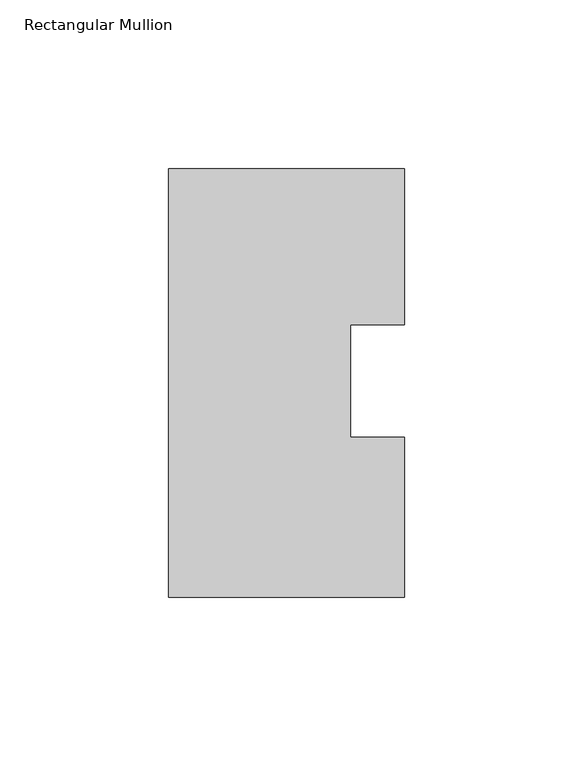
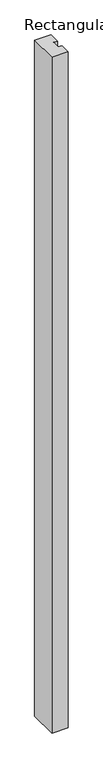
"""IFC4 building model written with IfcOpenShell, lengths in millimetres: member geometry, Rectangular Mullion."""

import ifcopenshell
import ifcopenshell.guid

model = None  # the IFC model being written
_history = None  # IfcOwnerHistory: only IFC2X3 demands one
_inside = {}  # id of a spatial element -> (the spatial element, [elements in it])
_under = {}  # id of a project, library or spatial element -> (it, [spatial elements below it])
_declared = {}  # id of a project -> (the project, [libraries it declares])
_typed = {}  # id of a type object -> (the type object, [elements of that type])
_made_of = {}  # id of a material, layer set ... -> (it, [elements and type objects made of it])


def new_model(schema):
    """Start an empty IFC model of exactly this schema.

    Asked for "IFC4X3", IfcOpenShell would pick the latest addendum, in which some entities
    have other attributes; the version numbers below select the first issue.
    IFC2X3 requires an IfcOwnerHistory on every rooted entity: one is made here for all.
    """
    global model, _history
    if schema == "IFC4X3":
        model = ifcopenshell.file(schema_version=(4, 3, 0, 0))
    else:
        model = ifcopenshell.file(schema=schema)
    _inside.clear()
    _under.clear()
    _declared.clear()
    _typed.clear()
    _made_of.clear()
    _history = None
    if model.schema == "IFC2X3":
        org = make("IfcOrganization", Name="unknown")
        user = make(
            "IfcPersonAndOrganization",
            ThePerson=make("IfcPerson", FamilyName="unknown"),
            TheOrganization=org,
        )
        app = make(
            "IfcApplication",
            ApplicationDeveloper=org,
            Version="unknown",
            ApplicationFullName="unknown",
            ApplicationIdentifier="unknown",
        )
        _history = make(
            "IfcOwnerHistory",
            OwningUser=user,
            OwningApplication=app,
            ChangeAction="ADDED",
            CreationDate=0,
        )
    return model


def make(cls, **values):
    """One entity of the class cls with the attributes given. An attribute that is None is left unset."""
    return model.create_entity(
        cls, **{name: value for name, value in values.items() if value is not None}
    )


def rooted(cls, **values):
    """An entity with a GlobalId (a new one), such as an element, a storey or a relation."""
    return make(cls, GlobalId=ifcopenshell.guid.new(), OwnerHistory=_history, **values)


def si_unit(unit_type, name, prefix=None):
    """IfcSIUnit, for example si_unit("LENGTHUNIT", "METRE", prefix="MILLI")."""
    return make("IfcSIUnit", UnitType=unit_type, Prefix=prefix, Name=name)


def assignment(units):
    """IfcUnitAssignment: the units of a project."""
    return None if units is None else make("IfcUnitAssignment", Units=units)


def point(xyz):
    """IfcCartesianPoint."""
    return None if xyz is None else make("IfcCartesianPoint", Coordinates=xyz)


def direction(xyz):
    """IfcDirection."""
    return None if xyz is None else make("IfcDirection", DirectionRatios=xyz)


def frame(location, z_axis=None, x_axis=None):
    """IfcAxis2Placement3D, a coordinate frame: its origin and axes. An axis left out is left unset."""
    return make(
        "IfcAxis2Placement3D",
        Location=point(location),
        Axis=direction(z_axis),
        RefDirection=direction(x_axis),
    )


def origin():
    """The frame at (0, 0, 0) with its axes left unset."""
    return frame((0.0, 0.0, 0.0))


def place(relative_to, where):
    """IfcLocalPlacement: puts the frame where relative to a parent placement (None: the world)."""
    return make(
        "IfcLocalPlacement", PlacementRelTo=relative_to, RelativePlacement=where
    )


def context(
    kind, dimensions, precision=None, world=None, true_north=None, identifier=None
):
    """IfcGeometricRepresentationContext, for example the 3D "Model" context."""
    return make(
        "IfcGeometricRepresentationContext",
        ContextIdentifier=identifier,
        ContextType=kind,
        CoordinateSpaceDimension=dimensions,
        Precision=precision,
        WorldCoordinateSystem=world,
        TrueNorth=true_north,
    )


def project(units=None, contexts=None):
    """IfcProject with its units and contexts."""
    return rooted(
        "IfcProject",
        Name="project",
        RepresentationContexts=contexts,
        UnitsInContext=assignment(units),
    )


def spatial(cls, under=None, at=None, **own):
    """A site, building, storey or space (cls), placed at a placement, below another one or the project."""
    s = rooted(cls, ObjectPlacement=at, **own)
    if under is not None:
        _under.setdefault(under.id(), (under, []))[1].append(s)
    return s


def polyline(points):
    """IfcPolyline through the points."""
    return make("IfcPolyline", Points=[point(p) for p in points])


def outline(outer, holes=None, kind="AREA"):
    """IfcArbitraryClosedProfileDef: a profile drawn as a closed curve; with holes, ...WithVoids."""
    if holes is None:
        return make("IfcArbitraryClosedProfileDef", ProfileType=kind, OuterCurve=outer)
    return make(
        "IfcArbitraryProfileDefWithVoids",
        ProfileType=kind,
        OuterCurve=outer,
        InnerCurves=holes,
    )


def extrude(swept, where, along, depth):
    """IfcExtrudedAreaSolid: the profile swept, set in the frame where, extruded along a direction by depth."""
    return make(
        "IfcExtrudedAreaSolid",
        SweptArea=swept,
        Position=where,
        ExtrudedDirection=direction(along),
        Depth=depth,
    )


def shape(context_of_items, identifier, shape_type, items):
    """IfcShapeRepresentation: the items that make up one representation, for example the "Body"."""
    return make(
        "IfcShapeRepresentation",
        ContextOfItems=context_of_items,
        RepresentationIdentifier=identifier,
        RepresentationType=shape_type,
        Items=items,
    )


def source(mapping_origin, context_of_items, identifier, shape_type, items):
    """IfcRepresentationMap: a shape defined once, which mapped items show again and again."""
    return make(
        "IfcRepresentationMap",
        MappingOrigin=mapping_origin,
        MappedRepresentation=shape(context_of_items, identifier, shape_type, items),
    )


def transform(
    local_origin,
    x_axis=None,
    y_axis=None,
    z_axis=None,
    scale=None,
    scale2=None,
    scale3=None,
    uniform=True,
):
    """IfcCartesianTransformationOperator3D, or its non-uniform kind. x_axis, y_axis, z_axis: its Axis1, 2, 3."""
    if uniform:
        return make(
            "IfcCartesianTransformationOperator3D",
            Axis1=direction(x_axis),
            Axis2=direction(y_axis),
            LocalOrigin=point(local_origin),
            Scale=scale,
            Axis3=direction(z_axis),
        )
    return make(
        "IfcCartesianTransformationOperator3DnonUniform",
        Axis1=direction(x_axis),
        Axis2=direction(y_axis),
        LocalOrigin=point(local_origin),
        Scale=scale,
        Axis3=direction(z_axis),
        Scale2=scale2,
        Scale3=scale3,
    )


def mapped(mapping_source, mapping_target):
    """IfcMappedItem: shows the shape of a source again, moved by a transform."""
    return make(
        "IfcMappedItem", MappingSource=mapping_source, MappingTarget=mapping_target
    )


def made_of(thing, what):
    """Note that an element or type object is made of a material, layer set ...; save() writes the relation."""
    if what is not None:
        _made_of.setdefault(what.id(), (what, []))[1].append(thing)
    return thing


def element(
    cls,
    number,
    at=None,
    inside=None,
    cuts=None,
    type_object=None,
    material=None,
    context=None,
    identifier="Body",
    shape_type=None,
    held_by="IfcProductDefinitionShape",
    body=None,
    shapes=None,
    **own,
):
    """One element of the class cls, such as IfcWall. Its Tag is "e" and its number.

    at: its placement. inside: the storey or other place that contains it. cuts: it is an
    opening in that element (IfcRelVoidsElement). A single representation is given by context,
    identifier, shape_type and body (its items); several are given by shapes. held_by: the class
    of the entity that holds the representations. save() writes the other relations.
    """
    e = rooted(cls, Tag="e%d" % number, ObjectPlacement=at, **own)
    if body is not None:
        shapes = [shape(context, identifier, shape_type, body)]
    if shapes is not None:
        e.Representation = make(held_by, Representations=shapes)
    if inside is not None:
        _inside.setdefault(inside.id(), (inside, []))[1].append(e)
    if cuts is not None:
        rooted(
            "IfcRelVoidsElement", RelatingBuildingElement=cuts, RelatedOpeningElement=e
        )
    if type_object is not None:
        _typed.setdefault(type_object.id(), (type_object, []))[1].append(e)
    return made_of(e, material)


def aggregate(whole, parts):
    """IfcRelAggregates: a whole, such as a stair, and the parts it consists of."""
    return rooted("IfcRelAggregates", RelatingObject=whole, RelatedObjects=parts)


def save(model, path):
    """Write the relations noted so far, then the file.

    IfcRelAggregates (storeys below a building ...), IfcRelContainedInSpatialStructure (elements
    in a storey), IfcRelDefinesByType, IfcRelAssociatesMaterial and IfcRelDeclares: one each for
    every whole, place, type object, material and project.
    """
    for whole, parts in _under.values():
        aggregate(whole, parts)
    for where, things in _inside.values():
        rooted(
            "IfcRelContainedInSpatialStructure",
            RelatedElements=things,
            RelatingStructure=where,
        )
    for kind, things in _typed.values():
        rooted("IfcRelDefinesByType", RelatedObjects=things, RelatingType=kind)
    for what, things in _made_of.values():
        rooted("IfcRelAssociatesMaterial", RelatedObjects=things, RelatingMaterial=what)
    for by, libraries in _declared.values():
        rooted("IfcRelDeclares", RelatingContext=by, RelatedDefinitions=libraries)
    model.write(path)


def rectangular_mullion_1f36b0cf(model_context):
    return source(origin(), model_context, "Body", "SweptSolid", [
        extrude(outline(polyline([(-69.85, -63.5), (-69.85, 63.5), (0.0, 63.5), (0.0, 17.31709), (-15.875, 17.31709), (-15.875, -16.0459314), (0.0, -16.0459314), (0.0, -63.5), (-69.85, -63.5)])), frame((0.0, 0.0, -3048.0), z_axis=(0.0, 0.0, 1.0), x_axis=(1.0, 0.0, 0.0)), (0.0, 0.0, 1.0), 3048.0),
    ])


if __name__ == "__main__":
    model = new_model("IFC4")
    model_context = context("Model", 3, world=origin())
    ifc_project = project(units=[si_unit("LENGTHUNIT", "METRE", prefix="MILLI")], contexts=[model_context])
    site = spatial("IfcSite", under=ifc_project)
    building = spatial("IfcBuilding", under=site)
    placement = place(None, origin())
    rectangular_mullion_shape = rectangular_mullion_1f36b0cf(model_context)
    element("IfcMember", 1, ObjectType="Rectangular Mullion", at=placement, inside=building, context=model_context, shape_type="MappedRepresentation", body=[
        mapped(rectangular_mullion_shape, transform((0.0, 0.0, 0.0), x_axis=(1.0, 0.0, 0.0), y_axis=(0.0, 1.0, 0.0), z_axis=(0.0, 0.0, 1.0))),
    ])
    save(model, "model.ifc")
